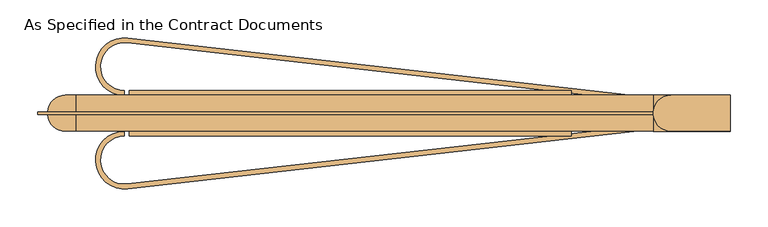
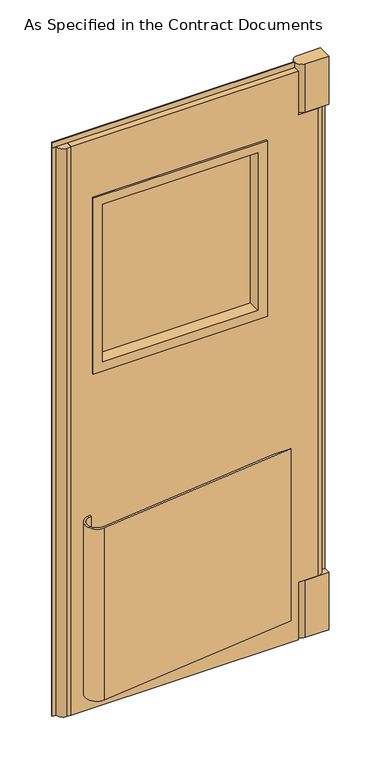
"""IFC4 building model written with IfcOpenShell, lengths in millimetres: door geometry, As Specified in the Contract Documents."""

import ifcopenshell
import ifcopenshell.guid

model = None  # the IFC model being written
_history = None  # IfcOwnerHistory: only IFC2X3 demands one
_inside = {}  # id of a spatial element -> (the spatial element, [elements in it])
_under = {}  # id of a project, library or spatial element -> (it, [spatial elements below it])
_declared = {}  # id of a project -> (the project, [libraries it declares])
_typed = {}  # id of a type object -> (the type object, [elements of that type])
_made_of = {}  # id of a material, layer set ... -> (it, [elements and type objects made of it])


def new_model(schema):
    """Start an empty IFC model of exactly this schema.

    Asked for "IFC4X3", IfcOpenShell would pick the latest addendum, in which some entities
    have other attributes; the version numbers below select the first issue.
    IFC2X3 requires an IfcOwnerHistory on every rooted entity: one is made here for all.
    """
    global model, _history
    if schema == "IFC4X3":
        model = ifcopenshell.file(schema_version=(4, 3, 0, 0))
    else:
        model = ifcopenshell.file(schema=schema)
    _inside.clear()
    _under.clear()
    _declared.clear()
    _typed.clear()
    _made_of.clear()
    _history = None
    if model.schema == "IFC2X3":
        org = make("IfcOrganization", Name="unknown")
        user = make(
            "IfcPersonAndOrganization",
            ThePerson=make("IfcPerson", FamilyName="unknown"),
            TheOrganization=org,
        )
        app = make(
            "IfcApplication",
            ApplicationDeveloper=org,
            Version="unknown",
            ApplicationFullName="unknown",
            ApplicationIdentifier="unknown",
        )
        _history = make(
            "IfcOwnerHistory",
            OwningUser=user,
            OwningApplication=app,
            ChangeAction="ADDED",
            CreationDate=0,
        )
    return model


def make(cls, **values):
    """One entity of the class cls with the attributes given. An attribute that is None is left unset."""
    return model.create_entity(
        cls, **{name: value for name, value in values.items() if value is not None}
    )


def rooted(cls, **values):
    """An entity with a GlobalId (a new one), such as an element, a storey or a relation."""
    return make(cls, GlobalId=ifcopenshell.guid.new(), OwnerHistory=_history, **values)


def si_unit(unit_type, name, prefix=None):
    """IfcSIUnit, for example si_unit("LENGTHUNIT", "METRE", prefix="MILLI")."""
    return make("IfcSIUnit", UnitType=unit_type, Prefix=prefix, Name=name)


def assignment(units):
    """IfcUnitAssignment: the units of a project."""
    return None if units is None else make("IfcUnitAssignment", Units=units)


def point(xyz):
    """IfcCartesianPoint."""
    return None if xyz is None else make("IfcCartesianPoint", Coordinates=xyz)


def direction(xyz):
    """IfcDirection."""
    return None if xyz is None else make("IfcDirection", DirectionRatios=xyz)


def frame(location, z_axis=None, x_axis=None):
    """IfcAxis2Placement3D, a coordinate frame: its origin and axes. An axis left out is left unset."""
    return make(
        "IfcAxis2Placement3D",
        Location=point(location),
        Axis=direction(z_axis),
        RefDirection=direction(x_axis),
    )


def frame_2d(location, x_axis=None):
    """IfcAxis2Placement2D, a coordinate frame in the plane: its origin and x axis."""
    return make(
        "IfcAxis2Placement2D", Location=point(location), RefDirection=direction(x_axis)
    )


def origin():
    """The frame at (0, 0, 0) with its axes left unset."""
    return frame((0.0, 0.0, 0.0))


def origin_with_axes():
    """The frame at (0, 0, 0) with the z axis (0, 0, 1) and the x axis (1, 0, 0) written out."""
    return frame((0.0, 0.0, 0.0), z_axis=(0.0, 0.0, 1.0), x_axis=(1.0, 0.0, 0.0))


def place(relative_to, where):
    """IfcLocalPlacement: puts the frame where relative to a parent placement (None: the world)."""
    return make(
        "IfcLocalPlacement", PlacementRelTo=relative_to, RelativePlacement=where
    )


def context(
    kind, dimensions, precision=None, world=None, true_north=None, identifier=None
):
    """IfcGeometricRepresentationContext, for example the 3D "Model" context."""
    return make(
        "IfcGeometricRepresentationContext",
        ContextIdentifier=identifier,
        ContextType=kind,
        CoordinateSpaceDimension=dimensions,
        Precision=precision,
        WorldCoordinateSystem=world,
        TrueNorth=true_north,
    )


def project(units=None, contexts=None):
    """IfcProject with its units and contexts."""
    return rooted(
        "IfcProject",
        Name="project",
        RepresentationContexts=contexts,
        UnitsInContext=assignment(units),
    )


def spatial(cls, under=None, at=None, **own):
    """A site, building, storey or space (cls), placed at a placement, below another one or the project."""
    s = rooted(cls, ObjectPlacement=at, **own)
    if under is not None:
        _under.setdefault(under.id(), (under, []))[1].append(s)
    return s


def polyline(points):
    """IfcPolyline through the points."""
    return make("IfcPolyline", Points=[point(p) for p in points])


def circle_curve(where, radius):
    """IfcCircle in the frame where."""
    return make("IfcCircle", Position=where, Radius=radius)


def trimmed(basis, trim1, trim2, sense, master):
    """IfcTrimmedCurve: the piece of a basis curve between two trims."""
    return make(
        "IfcTrimmedCurve",
        BasisCurve=basis,
        Trim1=trim1,
        Trim2=trim2,
        SenseAgreement=sense,
        MasterRepresentation=master,
    )


def segment(curve, same_sense, transition):
    """IfcCompositeCurveSegment."""
    return make(
        "IfcCompositeCurveSegment",
        Transition=transition,
        SameSense=same_sense,
        ParentCurve=curve,
    )


def composite_curve(segments, self_intersect=None):
    """IfcCompositeCurve: segments joined end to end."""
    return make("IfcCompositeCurve", Segments=segments, SelfIntersect=self_intersect)


def outline(outer, holes=None, kind="AREA"):
    """IfcArbitraryClosedProfileDef: a profile drawn as a closed curve; with holes, ...WithVoids."""
    if holes is None:
        return make("IfcArbitraryClosedProfileDef", ProfileType=kind, OuterCurve=outer)
    return make(
        "IfcArbitraryProfileDefWithVoids",
        ProfileType=kind,
        OuterCurve=outer,
        InnerCurves=holes,
    )


def extrude(swept, where, along, depth):
    """IfcExtrudedAreaSolid: the profile swept, set in the frame where, extruded along a direction by depth."""
    return make(
        "IfcExtrudedAreaSolid",
        SweptArea=swept,
        Position=where,
        ExtrudedDirection=direction(along),
        Depth=depth,
    )


def faces_of(points, faces, orient=None, outer=None):
    """IfcFace entities. A face is a list of loops; a loop is a list of indices into points, from 0.

    orient and outer hold one flag for each loop. By default every Orientation is true, the
    first loop of a face is its IfcFaceOuterBound and the others are IfcFaceBound.
    """
    made = []
    for i, loops in enumerate(faces):
        bounds = []
        for j, loop in enumerate(loops):
            is_outer = j == 0 if outer is None else outer[i][j]
            bounds.append(
                make(
                    "IfcFaceOuterBound" if is_outer else "IfcFaceBound",
                    Bound=make("IfcPolyLoop", Polygon=[points[k] for k in loop]),
                    Orientation=True if orient is None else orient[i][j],
                )
            )
        made.append(make("IfcFace", Bounds=bounds))
    return made


def faceted_brep(points, faces, orient=None, outer=None, voids=None):
    """IfcFacetedBrep: a solid bounded by flat faces; with voids (closed shells), ...WithVoids."""
    shared = [point(p) for p in points]
    hull = make("IfcClosedShell", CfsFaces=faces_of(shared, faces, orient, outer))
    if voids is None:
        return make("IfcFacetedBrep", Outer=hull)
    return make(
        "IfcFacetedBrepWithVoids",
        Outer=hull,
        Voids=[
            make(cls, CfsFaces=faces_of(shared, fs, o, b)) for cls, fs, o, b in voids
        ],
    )


def shape(context_of_items, identifier, shape_type, items):
    """IfcShapeRepresentation: the items that make up one representation, for example the "Body"."""
    return make(
        "IfcShapeRepresentation",
        ContextOfItems=context_of_items,
        RepresentationIdentifier=identifier,
        RepresentationType=shape_type,
        Items=items,
    )


def source(mapping_origin, context_of_items, identifier, shape_type, items):
    """IfcRepresentationMap: a shape defined once, which mapped items show again and again."""
    return make(
        "IfcRepresentationMap",
        MappingOrigin=mapping_origin,
        MappedRepresentation=shape(context_of_items, identifier, shape_type, items),
    )


def transform(
    local_origin,
    x_axis=None,
    y_axis=None,
    z_axis=None,
    scale=None,
    scale2=None,
    scale3=None,
    uniform=True,
):
    """IfcCartesianTransformationOperator3D, or its non-uniform kind. x_axis, y_axis, z_axis: its Axis1, 2, 3."""
    if uniform:
        return make(
            "IfcCartesianTransformationOperator3D",
            Axis1=direction(x_axis),
            Axis2=direction(y_axis),
            LocalOrigin=point(local_origin),
            Scale=scale,
            Axis3=direction(z_axis),
        )
    return make(
        "IfcCartesianTransformationOperator3DnonUniform",
        Axis1=direction(x_axis),
        Axis2=direction(y_axis),
        LocalOrigin=point(local_origin),
        Scale=scale,
        Axis3=direction(z_axis),
        Scale2=scale2,
        Scale3=scale3,
    )


def mapped(mapping_source, mapping_target):
    """IfcMappedItem: shows the shape of a source again, moved by a transform."""
    return make(
        "IfcMappedItem", MappingSource=mapping_source, MappingTarget=mapping_target
    )


def made_of(thing, what):
    """Note that an element or type object is made of a material, layer set ...; save() writes the relation."""
    if what is not None:
        _made_of.setdefault(what.id(), (what, []))[1].append(thing)
    return thing


def element(
    cls,
    number,
    at=None,
    inside=None,
    cuts=None,
    type_object=None,
    material=None,
    context=None,
    identifier="Body",
    shape_type=None,
    held_by="IfcProductDefinitionShape",
    body=None,
    shapes=None,
    **own,
):
    """One element of the class cls, such as IfcWall. Its Tag is "e" and its number.

    at: its placement. inside: the storey or other place that contains it. cuts: it is an
    opening in that element (IfcRelVoidsElement). A single representation is given by context,
    identifier, shape_type and body (its items); several are given by shapes. held_by: the class
    of the entity that holds the representations. save() writes the other relations.
    """
    e = rooted(cls, Tag="e%d" % number, ObjectPlacement=at, **own)
    if body is not None:
        shapes = [shape(context, identifier, shape_type, body)]
    if shapes is not None:
        e.Representation = make(held_by, Representations=shapes)
    if inside is not None:
        _inside.setdefault(inside.id(), (inside, []))[1].append(e)
    if cuts is not None:
        rooted(
            "IfcRelVoidsElement", RelatingBuildingElement=cuts, RelatedOpeningElement=e
        )
    if type_object is not None:
        _typed.setdefault(type_object.id(), (type_object, []))[1].append(e)
    return made_of(e, material)


def aggregate(whole, parts):
    """IfcRelAggregates: a whole, such as a stair, and the parts it consists of."""
    return rooted("IfcRelAggregates", RelatingObject=whole, RelatedObjects=parts)


def save(model, path):
    """Write the relations noted so far, then the file.

    IfcRelAggregates (storeys below a building ...), IfcRelContainedInSpatialStructure (elements
    in a storey), IfcRelDefinesByType, IfcRelAssociatesMaterial and IfcRelDeclares: one each for
    every whole, place, type object, material and project.
    """
    for whole, parts in _under.values():
        aggregate(whole, parts)
    for where, things in _inside.values():
        rooted(
            "IfcRelContainedInSpatialStructure",
            RelatedElements=things,
            RelatingStructure=where,
        )
    for kind, things in _typed.values():
        rooted("IfcRelDefinesByType", RelatedObjects=things, RelatingType=kind)
    for what, things in _made_of.values():
        rooted("IfcRelAssociatesMaterial", RelatedObjects=things, RelatingMaterial=what)
    for by, libraries in _declared.values():
        rooted("IfcRelDeclares", RelatingContext=by, RelatedDefinitions=libraries)
    model.write(path)


def plane_surface(at):
    """IfcPlane: the flat surface through the origin of the frame at, square to its z axis."""
    return make("IfcPlane", Position=at)


def cylinder_surface(at, radius):
    """IfcCylindricalSurface: all points at the distance radius from the z axis of the frame at."""
    return make("IfcCylindricalSurface", Position=at, Radius=radius)


def advanced_brep(points, edges, surfaces, faces):
    """IfcAdvancedBrep: a solid bounded by faces that lie on surfaces and meet in shared edges.

    An edge is (start, end): straight between two places in points (the first is 0);
    or (start, end, curve); or (start, end, curve, False) where it runs against its curve.
    A face is (place in surfaces, loops), or (place, loops, False) where it looks against
    its surface's normal. A loop lists edges by number (the first is 1), with a minus sign
    where the edge is run from its end to its start. The first loop is the outer one.
    """
    corners = [point(p) for p in points]
    vertices = [make("IfcVertexPoint", VertexGeometry=c) for c in corners]
    made = []
    for start, end, *more in edges:
        made.append(
            make(
                "IfcEdgeCurve",
                EdgeStart=vertices[start],
                EdgeEnd=vertices[end],
                EdgeGeometry=more[0] if more else make("IfcPolyline", Points=[corners[start], corners[end]]),
                SameSense=more[1] if len(more) > 1 else True,
            )
        )
    hull = []
    for where, loops, *sense in faces:
        bounds = []
        for j, loop in enumerate(loops):
            ring = [make("IfcOrientedEdge", EdgeElement=made[abs(k) - 1], Orientation=k > 0) for k in loop]
            bounds.append(
                make(
                    "IfcFaceOuterBound" if j == 0 else "IfcFaceBound",
                    Bound=make("IfcEdgeLoop", EdgeList=ring),
                    Orientation=True,
                )
            )
        hull.append(make("IfcAdvancedFace", Bounds=bounds, FaceSurface=surfaces[where], SameSense=sense[0] if sense else True))
    return make("IfcAdvancedBrep", Outer=make("IfcClosedShell", CfsFaces=hull))


def as_specified_in_the_contract_documents_77dec2f1(model_context):
    return source(origin(), model_context, "Body", "SolidModel", [
        extrude(outline(composite_curve([segment(trimmed(circle_curve(frame_2d((-320.675, -79.375)), 38.1), [point((-316.3755678, -117.2316359))], [point((-320.675, -41.275))], False, "CARTESIAN"), True, "CONTINUOUS"), segment(polyline([(-320.675, -41.275), (-320.675, -47.625)]), True, "CONTINUOUS"), segment(trimmed(circle_curve(frame_2d((-320.675, -79.375)), 31.75), [point((-320.675, -47.625))], [point((-317.0921398, -110.9221966))], True, "CARTESIAN"), True, "CONTINUOUS"), segment(polyline([(-317.0921398, -110.9221966), (296.1536164, -41.275), (352.425, -41.275), (-316.3755678, -117.2316359)]), True, "CONTINUOUS")], self_intersect=False)), frame((0.0, 0.0, 76.2), z_axis=(0.0, 0.0, 1.0), x_axis=(1.0, 0.0, 0.0)), (0.0, 0.0, 1.0), 609.6),
        extrude(outline(composite_curve([segment(polyline([(-316.3755678, 82.3066359), (352.425, 6.35), (296.1536164, 6.35), (-317.0921398, 75.9971966)]), True, "CONTINUOUS"), segment(trimmed(circle_curve(frame_2d((-320.675, 44.45)), 31.75), [point((-317.0921398, 75.9971966))], [point((-320.675, 12.7))], True, "CARTESIAN"), True, "CONTINUOUS"), segment(polyline([(-320.675, 12.7), (-320.675, 6.35)]), True, "CONTINUOUS"), segment(trimmed(circle_curve(frame_2d((-320.675, 44.45)), 38.1), [point((-320.675, 6.35))], [point((-316.3755678, 82.3066359))], False, "CARTESIAN"), True, "CONTINUOUS")], self_intersect=False)), frame((0.0, 0.0, 76.2), z_axis=(0.0, 0.0, 1.0), x_axis=(1.0, 0.0, 0.0)), (0.0, 0.0, 1.0), 609.6),
        advanced_brep(
        [(377.825, 6.35, 2012.95), (377.825, 6.35, 1860.55), (442.9125, 6.35, 1860.55), (442.9125, 6.35, 203.2), (377.825, 6.35, 203.2), (377.825, 6.35, 0.0), (-384.175, 6.35, 0.0), (-384.175, 6.35, 2012.95), (244.475, 6.35, 1784.35), (-288.925, 6.35, 1784.35), (-288.925, 6.35, 1212.85), (244.475, 6.35, 1212.85), (377.825, -41.275, 2012.95), (-384.175, -41.275, 2012.95), (-384.175, -41.275, 0.0), (377.825, -41.275, 0.0), (377.825, -41.275, 203.2), (442.9125, -41.275, 203.2), (442.9125, -41.275, 1860.55), (377.825, -41.275, 1860.55), (244.475, -41.275, 1784.35), (244.475, -41.275, 1212.85), (-288.925, -41.275, 1212.85), (-288.925, -41.275, 1784.35)],
        [
            (0, 1),
            (1, 2),
            (2, 3),
            (3, 4),
            (4, 5),
            (5, 6),
            (6, 7),
            (7, 0),
            (8, 9),
            (9, 10),
            (10, 11),
            (11, 8),
            (12, 13),
            (13, 14),
            (14, 15),
            (15, 16),
            (16, 17),
            (17, 18),
            (18, 19),
            (19, 12),
            (20, 21),
            (21, 22),
            (22, 23),
            (23, 20),
            (0, 12),
            (19, 1),
            (18, 2, circle_curve(frame((442.9125, -17.4625, 1860.55), z_axis=(0.0, 0.0, 1.0), x_axis=(1.0, 0.0, 0.0)), 23.8125)),
            (3, 17, circle_curve(frame((442.9125, -17.4625, 203.2), z_axis=(0.0, 0.0, -1.0), x_axis=(1.0, 0.0, 0.0)), 23.8125)),
            (16, 4),
            (15, 5),
            (14, 6),
            (13, 7),
            (8, 20),
            (23, 9),
            (22, 10),
            (21, 11),
        ],
        [
            plane_surface(frame((377.825, 6.35, 2012.95), z_axis=(0.0, 1.0, 0.0), x_axis=(0.0, 0.0, -1.0))),
            plane_surface(frame((377.825, -41.275, 2012.95), z_axis=(0.0, -1.0, 0.0), x_axis=(0.0, 0.0, 1.0))),
            plane_surface(frame((377.825, 6.35, 2012.95), z_axis=(1.0, 0.0, 0.0), x_axis=(0.0, -1.0, 0.0))),
            plane_surface(frame((377.825, 6.35, 1860.55), z_axis=(0.0, 0.0, 1.0), x_axis=(0.0, -1.0, 0.0))),
            plane_surface(frame((430.2125, 6.35, 203.2), z_axis=(0.0, 0.0, -1.0), x_axis=(0.0, -1.0, 0.0))),
            plane_surface(frame((377.825, 6.35, 203.2), z_axis=(1.0, 0.0, 0.0), x_axis=(0.0, -1.0, 0.0))),
            plane_surface(frame((377.825, 6.35, 0.0), z_axis=(0.0, 0.0, -1.0), x_axis=(0.0, -1.0, 0.0))),
            plane_surface(frame((-384.175, 6.35, 0.0), z_axis=(-1.0, 0.0, 0.0), x_axis=(0.0, -1.0, 0.0))),
            plane_surface(frame((-384.175, 6.35, 2012.95), z_axis=(0.0, 0.0, 1.0), x_axis=(0.0, -1.0, 0.0))),
            plane_surface(frame((244.475, 6.35, 1784.35), z_axis=(0.0, 0.0, -1.0), x_axis=(0.0, -1.0, 0.0))),
            plane_surface(frame((-288.925, 6.35, 1784.35), z_axis=(1.0, 0.0, 0.0), x_axis=(0.0, -1.0, 0.0))),
            plane_surface(frame((-288.925, 6.35, 1212.85), z_axis=(0.0, 0.0, 1.0), x_axis=(0.0, -1.0, 0.0))),
            plane_surface(frame((244.475, 6.35, 1212.85), z_axis=(-1.0, 0.0, 0.0), x_axis=(0.0, -1.0, 0.0))),
            cylinder_surface(frame((442.9125, -17.4625, 203.2), z_axis=(0.0, 0.0, 1.0), x_axis=(1.0, 0.0, 0.0)), 23.8125),
        ],
        [
            (0, [[1, 2, 3, 4, 5, 6, 7, 8], [9, 10, 11, 12]]),
            (1, [[13, 14, 15, 16, 17, 18, 19, 20], [21, 22, 23, 24]]),
            (2, [[-1, 25, -20, 26]]),
            (3, [[-2, -26, -19, 27]]),
            (4, [[-4, 28, -17, 29]]),
            (5, [[-5, -29, -16, 30]]),
            (6, [[-6, -30, -15, 31]]),
            (7, [[-7, -31, -14, 32]]),
            (8, [[-8, -32, -13, -25]]),
            (9, [[-9, 33, -24, 34]]),
            (10, [[-10, -34, -23, 35]]),
            (11, [[-11, -35, -22, 36]]),
            (12, [[-12, -36, -21, -33]]),
            (13, [[-27, -18, -28, -3]]),
        ],
    ),
        extrude(outline(composite_curve([segment(polyline([(-398.4625, 6.35), (-379.4125, 6.35), (-379.4125, -41.275), (-398.4625, -41.275)]), True, "CONTINUOUS"), segment(trimmed(circle_curve(frame_2d((-398.4625, -17.4625)), 23.8125), [point((-398.4625, -41.275))], [point((-422.2220244, -19.05))], False, "CARTESIAN"), True, "CONTINUOUS"), segment(polyline([(-422.2220244, -19.05), (-434.975, -19.05), (-434.975, -15.875), (-422.2220244, -15.875)]), True, "CONTINUOUS"), segment(trimmed(circle_curve(frame_2d((-398.4625, -17.4625)), 23.8125), [point((-422.2220244, -15.875))], [point((-398.4625, 6.35))], False, "CARTESIAN"), True, "CONTINUOUS")], self_intersect=False)), origin_with_axes(), (0.0, 0.0, 1.0), 2012.95),
        extrude(outline(composite_curve([segment(trimmed(circle_curve(frame_2d((401.6375, -17.4625)), 23.8125), [point((401.6375, -41.275))], [point((401.6375, 6.35))], False, "CARTESIAN"), True, "CONTINUOUS"), segment(polyline([(401.6375, 6.35), (479.425, 6.35), (479.425, -41.275), (401.6375, -41.275)]), True, "CONTINUOUS")], self_intersect=False)), frame((0.0, 0.0, 1860.55), z_axis=(0.0, 0.0, 1.0), x_axis=(1.0, 0.0, 0.0)), (0.0, 0.0, 1.0), 171.45),
        extrude(outline(composite_curve([segment(trimmed(circle_curve(frame_2d((401.6375, -17.4625)), 23.8125), [point((401.6375, -41.275))], [point((401.6375, 6.35))], False, "CARTESIAN"), True, "CONTINUOUS"), segment(polyline([(401.6375, 6.35), (479.425, 6.35), (479.425, -41.275), (401.6375, -41.275)]), True, "CONTINUOUS")], self_intersect=False)), origin_with_axes(), (0.0, 0.0, 1.0), 203.2),
        extrude(outline(polyline([(466.725, -15.875), (479.425, -15.875), (479.425, -19.05), (466.725, -19.05), (466.725, -15.875)])), frame((0.0, 0.0, 203.2), z_axis=(0.0, 0.0, 1.0), x_axis=(1.0, 0.0, 0.0)), (0.0, 0.0, 1.0), 1657.35),
        extrude(outline(polyline([(238.125, -3.175), (-282.575, -3.175), (-282.575, 0.0), (238.125, 0.0), (238.125, -3.175)])), frame((0.0, 0.0, 1219.2), z_axis=(0.0, 0.0, 1.0), x_axis=(1.0, 0.0, 0.0)), (0.0, 0.0, 1.0), 558.8),
        faceted_brep([(-282.575, -47.625, 1778.0), (-282.575, 12.7, 1778.0), (238.125, 12.7, 1778.0), (238.125, -47.625, 1778.0), (-314.325, -41.275, 1809.75), (-314.325, -47.625, 1809.75), (269.875, -47.625, 1809.75), (269.875, -41.275, 1809.75), (-288.925, 6.35, 1784.35), (-288.925, -41.275, 1784.35), (244.475, -41.275, 1784.35), (244.475, 6.35, 1784.35), (-314.325, 12.7, 1809.75), (-314.325, 6.35, 1809.75), (269.875, 6.35, 1809.75), (269.875, 12.7, 1809.75), (238.125, 12.7, 1219.2), (238.125, -47.625, 1219.2), (269.875, -47.625, 1187.45), (269.875, -41.275, 1187.45), (244.475, -41.275, 1212.85), (244.475, 6.35, 1212.85), (269.875, 6.35, 1187.45), (269.875, 12.7, 1187.45), (-282.575, 12.7, 1219.2), (-282.575, -47.625, 1219.2), (-314.325, -47.625, 1187.45), (-314.325, -41.275, 1187.45), (-288.925, -41.275, 1212.85), (-288.925, 6.35, 1212.85), (-314.325, 6.35, 1187.45), (-314.325, 12.7, 1187.45)], [[[0, 1, 2, 3]], [[4, 5, 6, 7]], [[8, 9, 10, 11]], [[12, 13, 14, 15]], [[3, 2, 16, 17]], [[7, 6, 18, 19]], [[11, 10, 20, 21]], [[15, 14, 22, 23]], [[17, 16, 24, 25]], [[19, 18, 26, 27]], [[21, 20, 28, 29]], [[23, 22, 30, 31]], [[25, 24, 1, 0]], [[5, 26, 18, 6], [3, 17, 25, 0]], [[27, 26, 5, 4]], [[7, 19, 27, 4], [9, 28, 20, 10]], [[29, 28, 9, 8]], [[13, 30, 22, 14], [11, 21, 29, 8]], [[31, 30, 13, 12]], [[15, 23, 31, 12], [1, 24, 16, 2]]]),
        extrude(outline(polyline([(377.825, -15.875), (377.825, -19.05), (-434.975, -19.05), (-434.975, -15.875), (377.825, -15.875)])), frame((0.0, 0.0, 2012.95), z_axis=(0.0, 0.0, 1.0), x_axis=(1.0, 0.0, 0.0)), (0.0, 0.0, 1.0), 19.05),
    ])


if __name__ == "__main__":
    model = new_model("IFC4")
    model_context = context("Model", 3, world=origin())
    ifc_project = project(units=[si_unit("LENGTHUNIT", "METRE", prefix="MILLI")], contexts=[model_context])
    site = spatial("IfcSite", under=ifc_project)
    building = spatial("IfcBuilding", under=site)
    placement = place(None, origin())
    as_specified_in_the_contract_documents_shape = as_specified_in_the_contract_documents_77dec2f1(model_context)
    element("IfcDoor", 1, ObjectType="As Specified in the Contract Documents", at=placement, inside=building, context=model_context, shape_type="MappedRepresentation", body=[
        mapped(as_specified_in_the_contract_documents_shape, transform((0.0, 0.0, 0.0), x_axis=(1.0, 0.0, 0.0), y_axis=(0.0, 1.0, 0.0), z_axis=(0.0, 0.0, 1.0))),
    ])
    save(model, "model.ifc")
